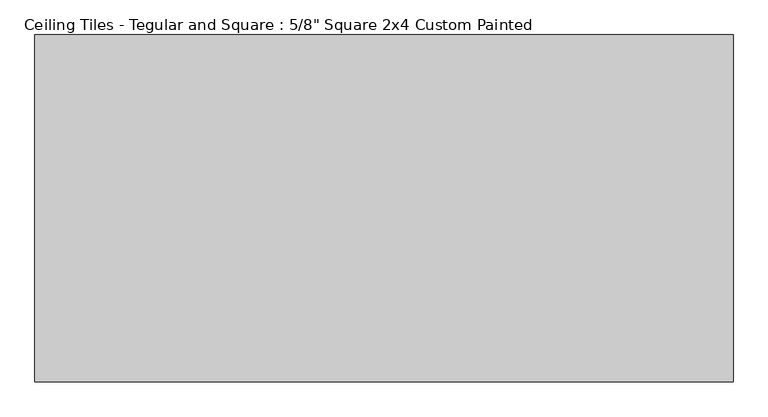
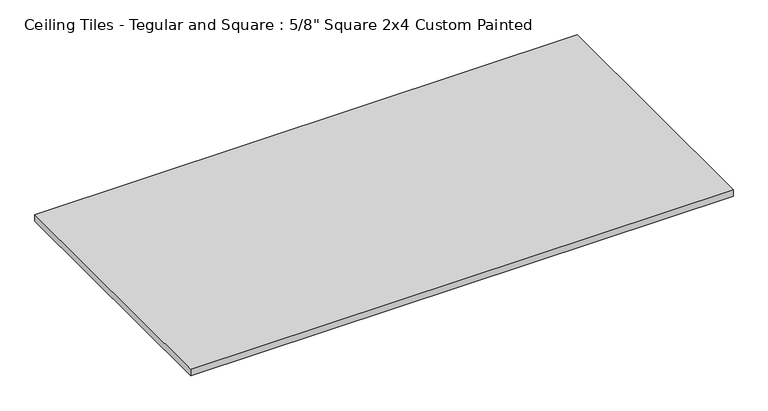
"""IFC4 building model written with IfcOpenShell, lengths in millimetres: proxy geometry."""

from ifc_helpers import new_model, si_unit, origin, origin_with_axes, place, context, project, spatial, polyline, outline, extrude, source, transform, mapped, element, save


def proxy_5e865723(model_context):
    return source(origin(), model_context, "Body", "SweptSolid", [
        extrude(outline(polyline([(-606.425, 301.625), (606.425, 301.625), (606.425, -301.625), (-606.425, -301.625), (-606.425, 301.625)])), origin_with_axes(), (0.0, 0.0, 1.0), 15.875),
    ])


if __name__ == "__main__":
    model = new_model("IFC4")
    model_context = context("Model", 3, world=origin())
    ifc_project = project(units=[si_unit("LENGTHUNIT", "METRE", prefix="MILLI")], contexts=[model_context])
    site = spatial("IfcSite", under=ifc_project)
    building = spatial("IfcBuilding", under=site)
    placement = place(None, origin())
    proxy_shape = proxy_5e865723(model_context)
    element("IfcBuildingElementProxy", 1, Name="Ceiling Tiles - Tegular and Square : 5/8\" Square 2x4 Custom Painted", ObjectType="Ceiling Tiles - Tegular and Square : 5/8\" Square 2x4 Custom Painted", at=placement, inside=building, context=model_context, shape_type="MappedRepresentation", body=[
        mapped(proxy_shape, transform((0.0, 0.0, 0.0), x_axis=(1.0, 0.0, 0.0), y_axis=(0.0, 1.0, 0.0), z_axis=(0.0, 0.0, 1.0))),
    ])
    save(model, "model.ifc")
